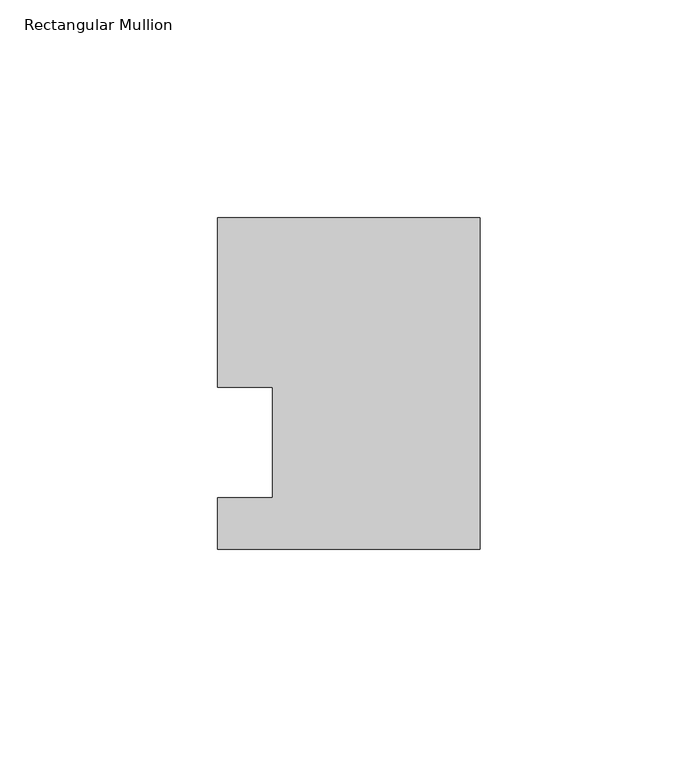
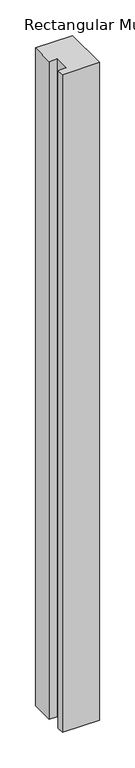
"""IFC4 building model written with IfcOpenShell, lengths in millimetres: member geometry, Rectangular Mullion."""

from ifc_helpers import new_model, si_unit, frame, origin, place, context, project, spatial, polyline, outline, extrude, source, transform, mapped, element, save


def rectangular_mullion_21c5b3ba(model_context):
    return source(origin(), model_context, "Body", "SweptSolid", [
        extrude(outline(polyline([(-60.325, 51.59375), (0.0, 51.59375), (0.0, -24.60625), (-60.325, -24.60625), (-60.325, -12.7), (-47.6232296, -12.7), (-47.6232296, 12.7), (-60.325, 12.7), (-60.325, 51.59375)])), frame((0.0, 0.0, -1130.3), z_axis=(0.0, 0.0, 1.0), x_axis=(1.0, 0.0, 0.0)), (0.0, 0.0, 1.0), 1130.3),
    ])


if __name__ == "__main__":
    model = new_model("IFC4")
    model_context = context("Model", 3, world=origin())
    ifc_project = project(units=[si_unit("LENGTHUNIT", "METRE", prefix="MILLI")], contexts=[model_context])
    site = spatial("IfcSite", under=ifc_project)
    building = spatial("IfcBuilding", under=site)
    placement = place(None, origin())
    rectangular_mullion_shape = rectangular_mullion_21c5b3ba(model_context)
    element("IfcMember", 1, ObjectType="Rectangular Mullion", at=placement, inside=building, context=model_context, shape_type="MappedRepresentation", body=[
        mapped(rectangular_mullion_shape, transform((0.0, 0.0, 0.0), x_axis=(1.0, 0.0, 0.0), y_axis=(0.0, 1.0, 0.0), z_axis=(0.0, 0.0, 1.0))),
    ])
    save(model, "model.ifc")
